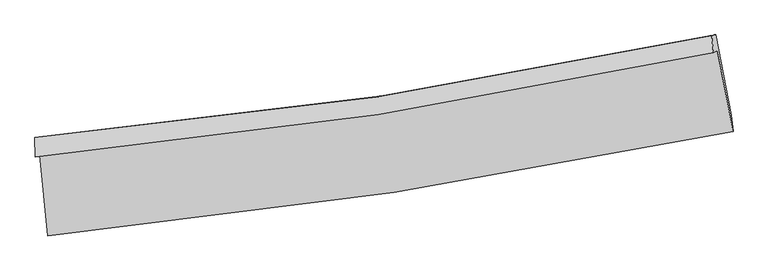
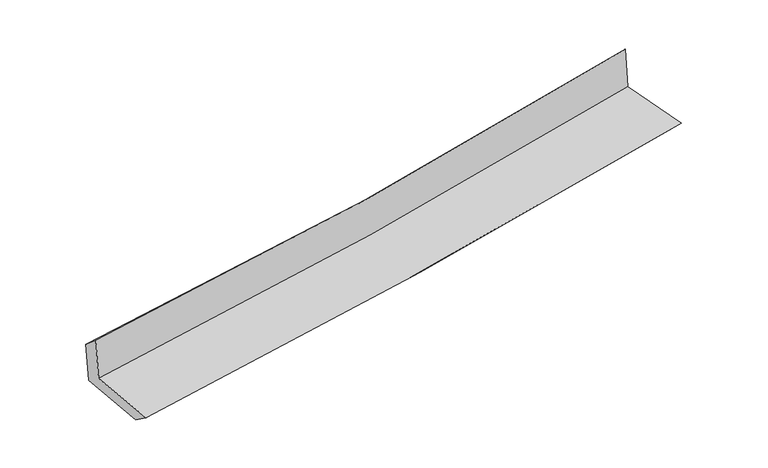
"""IFC4 building model written with IfcOpenShell, lengths in millimetres: proxy geometry."""

from ifc_helpers import new_model, si_unit, frame, origin, place, context, project, spatial, source, transform, mapped, element, save
from ifc_brep_helpers import plane_surface, spline_curve, spline_surface, advanced_brep


def generic_models_1b72c51a(model_context):
    return source(origin(), model_context, "Body", "AdvancedBrep", [
        advanced_brep(
        [(-2842.5164642, -1902.9916803, 1648.3094785), (-2773.0176955, -2574.4192075, 1628.3177448), (2904.1901513, -1704.9192214, 2126.6761629), (2774.7798917, -1037.1952207, 2141.522853), (-2876.4646564, -1918.610722, 2054.8623605), (2741.1632832, -1052.6617059, 2544.1047926), (-2880.8496733, -1756.4970474, 1917.8340037), (2726.840746, -913.0276494, 2407.0139856), (-2848.208291, -1753.0198135, 1540.2583421), (2758.9040932, -904.3563772, 2035.8668151), (-2778.9808576, -2412.6496148, 1509.7476207), (2890.153212, -1569.2591728, 1994.8298121)],
        [
            (0, 1),
            (1, 2, spline_curve(3, [(-2773.0176955, -2574.4192075, 1628.3177448), (-1814.507259574, -2477.867544935, 1723.79351505), (-859.303296121, -2356.544865677, 1813.276921714), (1033.020105193, -2066.118089748, 1979.252833387), (1970.218757226, -1897.607440147, 2055.888899534), (2904.1901513, -1704.9192214, 2126.6761629)], [4, 2, 4], [0.0, 9.46934927868731, 18.824580804326764])),
            (2, 3),
            (3, 0, spline_curve(3, [(2774.7798917, -1037.1952207, 2141.522853), (1851.96132348, -1237.023671472, 2071.392563886), (925.305164823, -1408.821182964, 1995.510547068), (-947.032758848, -1698.108032637, 1831.247266891), (-1892.808718635, -1814.909340917, 1742.724825565), (-2842.5164642, -1902.9916803, 1648.3094785)], [4, 2, 4], [0.0, 9.355231525639454, 18.824580804326764])),
            (4, 0),
            (3, 5),
            (5, 4, spline_curve(3, [(2741.1632832, -1052.6617059, 2544.1047926), (1818.949988283, -1252.211679846, 2466.725939548), (892.571002839, -1423.881668018, 2387.524582167), (-979.86939508, -1713.215664394, 2224.488505303), (-1926.033056331, -1830.195348158, 2140.609052482), (-2876.4646564, -1918.610722, 2054.8623605)], [4, 2, 4], [0.0, 9.306868797310157, 18.727265405465985])),
            (6, 4),
            (5, 7),
            (7, 6, spline_curve(3, [(2726.840746, -913.0276494, 2407.0139856), (1806.653099026, -1111.894521919, 2326.911329626), (882.111194073, -1281.370231467, 2246.344955743), (-987.012069089, -1563.248113938, 2083.29634414), (-1931.700303815, -1674.928870698, 2000.802724063), (-2880.8496733, -1756.4970474, 1917.8340037)], [4, 2, 4], [0.0, 9.29630416894047, 18.706007278409714])),
            (8, 6),
            (7, 9),
            (9, 8, spline_curve(3, [(2758.9040932, -904.3563772, 2035.8668151), (1838.74193697, -1102.323952121, 1953.498977717), (914.260441973, -1271.774891456, 1871.263914699), (-954.670999533, -1555.362654531, 1706.057831229), (-1899.226966166, -1668.799527479, 1623.090070051), (-2848.208291, -1753.0198135, 1540.2583421)], [4, 2, 4], [0.0, 9.286318398123013, 18.68591392752561])),
            (10, 8),
            (9, 11),
            (11, 10, spline_curve(3, [(2890.153212, -1569.2591728, 1994.8298121), (1958.247442293, -1755.270737957, 1910.039465664), (1022.752545605, -1918.273327595, 1827.452392424), (-866.870714828, -2199.968238807, 1665.704248713), (-1821.087174231, -2318.095796096, 1586.597258061), (-2778.9808576, -2412.6496148, 1509.7476207)], [4, 2, 4], [0.0, 9.334255395671725, 18.782372671641074])),
            (1, 10),
            (11, 2),
        ],
        [
            spline_surface(3, 3, [[(-2842.5164642, -1902.9916803, 1648.3094785), (-1892.808718744, -1814.909340889, 1742.724825625), (-947.032758798, -1698.108032504, 1831.247267018), (925.305164774, -1408.821183096, 1995.510546943), (1851.961323487, -1237.023671575, 2071.392563731), (2774.7798917, -1037.1952207, 2141.522853)], [(-2819.350207954, -2126.800856042, 1641.645567246), (-1866.708232362, -2035.895408889, 1736.414388796), (-917.78960459, -1917.58697689, 1825.257151908), (961.210144914, -1627.920151984, 1990.091309105), (1891.380468123, -1457.218261126, 2066.224675697), (2817.916644914, -1259.769887586, 2136.573956314)], [(-2796.183951746, -2350.610031758, 1634.981656054), (-1840.607746019, -2256.881476864, 1730.103952029), (-888.546450355, -2137.065921277, 1819.267036789), (997.115125079, -1847.019120873, 1984.672071259), (1930.799612716, -1677.412850718, 2061.056787622), (2861.053398086, -1482.344554514, 2131.625059586)], [(-2773.0176955, -2574.4192075, 1628.3177448), (-1814.507259637, -2477.867544864, 1723.7935152), (-859.303296147, -2356.544865663, 1813.276921679), (1033.020105219, -2066.118089762, 1979.252833422), (1970.218757352, -1897.607440269, 2055.888899588), (2904.1901513, -1704.9192214, 2126.6761629)]], [4, 4], [4, 2, 4], [0.0, 2.1827270264468672], [0.0, 9.46934927868731, 18.824580804326764]),
            spline_surface(3, 3, [[(-2876.4646564, -1918.610722, 2054.8623605), (-1926.03305634, -1830.195348206, 2140.60905235), (-979.869395192, -1713.215664398, 2224.4885054), (892.57100295, -1423.881668014, 2387.524582072), (1818.949988353, -1252.211679798, 2466.725939699), (2741.1632832, -1052.6617059, 2544.1047926)], [(-2865.148592325, -1913.404374771, 1919.344733179), (-1914.958277133, -1825.100012438, 2007.980976787), (-968.923849735, -1708.179787093, 2093.408092613), (903.482390217, -1418.861506368, 2256.853237036), (1829.953766735, -1247.149010419, 2334.948147703), (2752.368819371, -1047.506210862, 2409.910812726)], [(-2853.832528275, -1908.198027529, 1783.827105821), (-1903.883497951, -1820.004676657, 1875.352901188), (-957.978304255, -1703.143909809, 1962.327679805), (914.393777507, -1413.841344742, 2126.181891979), (1840.957545105, -1242.086340954, 2203.170355728), (2763.574355529, -1042.350715738, 2275.716832874)], [(-2842.5164642, -1902.9916803, 1648.3094785), (-1892.808718744, -1814.909340889, 1742.724825625), (-947.032758798, -1698.108032504, 1831.247267018), (925.305164774, -1408.821183096, 1995.510546943), (1851.961323487, -1237.023671575, 2071.392563731), (2774.7798917, -1037.1952207, 2141.522853)]], [4, 4], [4, 2, 4], [0.0, 1.2936044707724876], [0.0, 9.420396608155828, 18.727265405465985]),
            spline_surface(3, 3, [[(-2880.8496733, -1756.4970474, 1917.8340037), (-1931.70030378, -1674.928870749, 2000.802723924), (-987.012068964, -1563.248114076, 2083.296344034), (882.11119395, -1281.37023133, 2246.344955848), (1806.653098934, -1111.894521995, 2326.911329755), (2726.840746, -913.0276494, 2407.0139856)], [(-2879.388001007, -1810.53493892, 1963.510122617), (-1929.811221307, -1726.684363222, 2047.404833383), (-984.631177713, -1613.237297538, 2130.360397836), (885.597796944, -1328.874043579, 2293.40483127), (1810.752062074, -1158.666907908, 2373.516199756), (2731.614925067, -959.572334879, 2452.710921287)], [(-2877.926328693, -1864.57283048, 2009.186241583), (-1927.922138812, -1778.439855734, 2094.006942891), (-982.250286443, -1663.226480936, 2177.424451597), (889.084399957, -1376.377855765, 2340.46470665), (1814.851025213, -1205.439293885, 2420.121069698), (2736.389104133, -1006.117020421, 2498.407856913)], [(-2876.4646564, -1918.610722, 2054.8623605), (-1926.03305634, -1830.195348206, 2140.60905235), (-979.869395192, -1713.215664398, 2224.4885054), (892.57100295, -1423.881668014, 2387.524582072), (1818.949988353, -1252.211679798, 2466.725939699), (2741.1632832, -1052.6617059, 2544.1047926)]], [4, 4], [4, 2, 4], [0.0, 0.6676312081941258], [0.0, 9.409703109469245, 18.706007278409714]),
            spline_surface(3, 3, [[(-2848.208291, -1753.0198135, 1540.2583421), (-1899.226966105, -1668.799527484, 1623.090069916), (-954.670999623, -1555.36265462, 1706.057831297), (914.260442062, -1271.774891368, 1871.263914632), (1838.741936947, -1102.323952127, 1953.498977585), (2758.9040932, -904.3563772, 2035.8668151)], [(-2859.088751758, -1754.17889147, 1666.116895992), (-1910.051411988, -1670.842641909, 1748.994287944), (-965.451356061, -1557.991141113, 1831.804002187), (903.544026033, -1274.97333803, 1996.290928349), (1828.045657585, -1105.514142088, 2077.969761643), (2748.216310776, -907.246801272, 2159.582538602)], [(-2869.969212542, -1755.33796943, 1791.975449808), (-1920.875857897, -1672.885756324, 1874.898505896), (-976.231712526, -1560.619627583, 1957.550173143), (892.827609978, -1278.171784668, 2121.317942131), (1817.349378295, -1108.704332034, 2202.440545696), (2737.528528424, -910.137225328, 2283.298262098)], [(-2880.8496733, -1756.4970474, 1917.8340037), (-1931.70030378, -1674.928870749, 2000.802723924), (-987.012068964, -1563.248114076, 2083.296344034), (882.11119395, -1281.37023133, 2246.344955848), (1806.653098934, -1111.894521995, 2326.911329755), (2726.840746, -913.0276494, 2407.0139856)]], [4, 4], [4, 2, 4], [0.0, 1.2390199683952594], [0.0, 9.399595529402598, 18.68591392752561]),
            spline_surface(3, 3, [[(-2778.9808576, -2412.6496148, 1509.7476207), (-1821.087174287, -2318.095796141, 1586.597257919), (-866.870714673, -2199.968238681, 1665.704248608), (1022.752545452, -1918.27332772, 1827.452392528), (1958.247442331, -1755.270737842, 1910.039465681), (2890.153212, -1569.2591728, 1994.8298121)], [(-2802.056668728, -2192.773014364, 1519.917861149), (-1847.133771554, -2101.663706587, 1598.761528567), (-896.137476318, -1985.099710644, 1679.155442857), (986.588510993, -1702.773848919, 1842.056233248), (1918.412273872, -1537.621809268, 1924.525969652), (2846.403505735, -1347.624907598, 2008.508813103)], [(-2825.132479872, -1972.896413936, 1530.088101651), (-1873.180368838, -1885.231617038, 1610.925799268), (-925.404237978, -1770.231182657, 1692.606637048), (950.42447652, -1487.274370169, 1856.660073911), (1878.577105406, -1319.972880701, 1939.012473614), (2802.653799465, -1125.990642402, 2022.187814097)], [(-2848.208291, -1753.0198135, 1540.2583421), (-1899.226966105, -1668.799527484, 1623.090069916), (-954.670999623, -1555.36265462, 1706.057831297), (914.260442062, -1271.774891368, 1871.263914632), (1838.741936947, -1102.323952127, 1953.498977585), (2758.9040932, -904.3563772, 2035.8668151)]], [4, 4], [4, 2, 4], [0.0, 2.1466338099301665], [0.0, 9.448117275969349, 18.782372671641074]),
            spline_surface(3, 3, [[(-2773.0176955, -2574.4192075, 1628.3177448), (-1814.507259637, -2477.867544864, 1723.7935152), (-859.303296147, -2356.544865663, 1813.276921679), (1033.020105219, -2066.118089762, 1979.252833422), (1970.218757352, -1897.607440269, 2055.888899588), (2904.1901513, -1704.9192214, 2126.6761629)], [(-2775.005416228, -2520.496009932, 1588.794370117), (-1816.700564549, -2424.610295289, 1678.061429457), (-861.825768979, -2304.352656664, 1764.086030635), (1029.597585306, -2016.83650241, 1928.652686436), (1966.228319015, -1850.161872797, 2007.272421588), (2899.511171537, -1659.699205204, 2082.727379269)], [(-2776.993136872, -2466.572812368, 1549.270995383), (-1818.893869375, -2371.353045716, 1632.329343662), (-864.348241841, -2252.16044768, 1714.895139652), (1026.175065365, -1967.554915072, 1878.052539513), (1962.237880668, -1802.716305313, 1958.655943681), (2894.832191763, -1614.479188996, 2038.778595731)], [(-2778.9808576, -2412.6496148, 1509.7476207), (-1821.087174287, -2318.095796141, 1586.597257919), (-866.870714673, -2199.968238681, 1665.704248608), (1022.752545452, -1918.27332772, 1827.452392528), (1958.247442331, -1755.270737842, 1910.039465681), (2890.153212, -1569.2591728, 1994.8298121)]], [4, 4], [4, 2, 4], [0.0, 0.7010681813154458], [0.0, 9.50717522470119, 18.89977684539381]),
            plane_surface(frame((2799.3385629, -1196.9032246, 2208.3357369), z_axis=(0.97821328697142, 0.18760910173683057, 0.08889088894858768), x_axis=(-0.08604596072484871, -0.023270432188081606, 0.9960193670951974))),
            plane_surface(frame((-2833.3396063, -2053.0313476, 1716.554925), z_axis=(-0.9912086075578181, -0.1000201371702392, -0.08661101814283219), x_axis=(-0.10291375325856515, 0.9942496553795188, 0.029603752599009207))),
        ],
        [
            (0, [[1, 2, 3, 4]]),
            (1, [[5, -4, 6, 7]]),
            (2, [[8, -7, 9, 10]]),
            (3, [[11, -10, 12, 13]]),
            (4, [[14, -13, 15, 16]]),
            (5, [[17, -16, 18, -2]]),
            (6, [[-12, -9, -6, -3, -18, -15]]),
            (7, [[-1, -5, -8, -11, -14, -17]]),
        ],
    ),
    ])


if __name__ == "__main__":
    model = new_model("IFC4")
    model_context = context("Model", 3, world=origin())
    ifc_project = project(units=[si_unit("LENGTHUNIT", "METRE", prefix="MILLI")], contexts=[model_context])
    site = spatial("IfcSite", under=ifc_project)
    building = spatial("IfcBuilding", under=site)
    placement = place(None, origin())
    generic_models_shape = generic_models_1b72c51a(model_context)
    element("IfcBuildingElementProxy", 1, Name="Generic Models", at=placement, inside=building, context=model_context, shape_type="MappedRepresentation", body=[
        mapped(generic_models_shape, transform((0.0, 0.0, 0.0), x_axis=(1.0, 0.0, 0.0), y_axis=(0.0, 1.0, 0.0), z_axis=(0.0, 0.0, 1.0))),
    ])
    save(model, "model.ifc")
